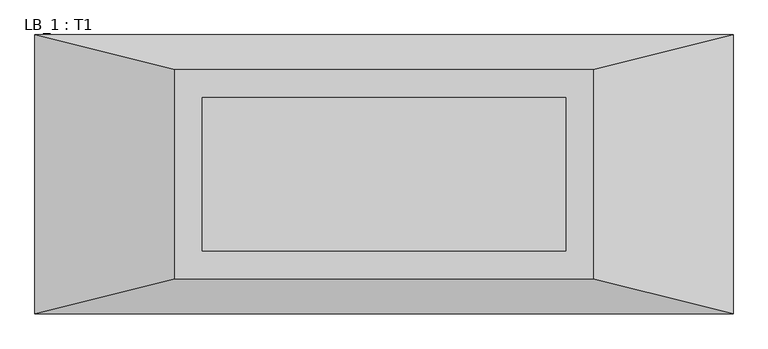
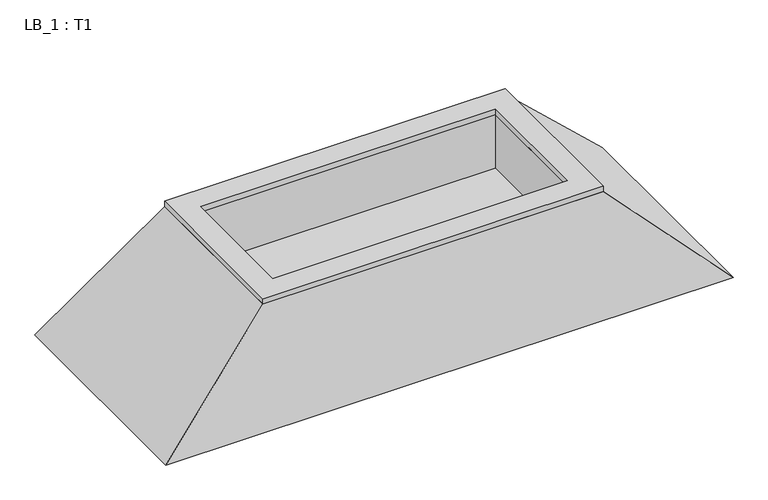
"""IFC4 building model written with IfcOpenShell, lengths in millimetres: proxy geometry, LB_1 : T1."""

from ifc_helpers import new_model, si_unit, frame, origin, place, context, project, spatial, polyline, outline, extrude, faceted_brep, source, transform, mapped, element, save


def lb_1_t1_92081ead(model_context):
    return source(origin(), model_context, "Body", "SolidModel", [
        extrude(outline(polyline([(1500.0, 750.0), (1500.0, -750.0), (-1500.0, -750.0), (-1500.0, 750.0), (1500.0, 750.0)]), holes=[polyline([(1300.0, 550.0), (-1300.0, 550.0), (-1300.0, -550.0), (1300.0, -550.0), (1300.0, 550.0)])]), frame((0.0, 0.0, 1000.0), z_axis=(0.0, 0.0, 1.0), x_axis=(1.0, 0.0, 0.0)), (0.0, 0.0, 1.0), 50.0),
        faceted_brep([(1500.0, 750.0, 1000.0), (-1500.0, 750.0, 1000.0), (-1500.0, -750.0, 1000.0), (1500.0, -750.0, 1000.0), (-1300.0, 550.0, 1000.0), (1300.0, 550.0, 1000.0), (1300.0, -550.0, 1000.0), (-1300.0, -550.0, 1000.0), (2500.0, 1000.0, 0.0), (2500.0, -1000.0, 0.0), (-2500.0, -1000.0, 0.0), (-2500.0, 1000.0, 0.0), (1300.0, 550.0, 500.0), (-1300.0, 550.0, 500.0), (-1300.0, -550.0, 500.0), (1300.0, -550.0, 500.0)], [[[0, 1, 2, 3], [4, 5, 6, 7]], [[8, 9, 10, 11]], [[1, 0, 8, 11]], [[2, 1, 11, 10]], [[3, 2, 10, 9]], [[0, 3, 9, 8]], [[12, 13, 14, 15]], [[13, 12, 5, 4]], [[14, 13, 4, 7]], [[15, 14, 7, 6]], [[12, 15, 6, 5]]]),
    ])


if __name__ == "__main__":
    model = new_model("IFC4")
    model_context = context("Model", 3, world=origin())
    ifc_project = project(units=[si_unit("LENGTHUNIT", "METRE", prefix="MILLI")], contexts=[model_context])
    site = spatial("IfcSite", under=ifc_project)
    building = spatial("IfcBuilding", under=site)
    placement = place(None, origin())
    lb_1_t1_shape = lb_1_t1_92081ead(model_context)
    element("IfcBuildingElementProxy", 1, Name="LB_1 : T1", ObjectType="LB_1 : T1", at=placement, inside=building, context=model_context, shape_type="MappedRepresentation", body=[
        mapped(lb_1_t1_shape, transform((0.0, 0.0, 0.0), x_axis=(1.0, 0.0, 0.0), y_axis=(0.0, 1.0, 0.0), z_axis=(0.0, 0.0, 1.0))),
    ])
    save(model, "model.ifc")
